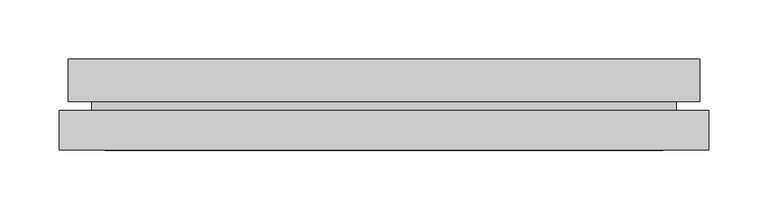
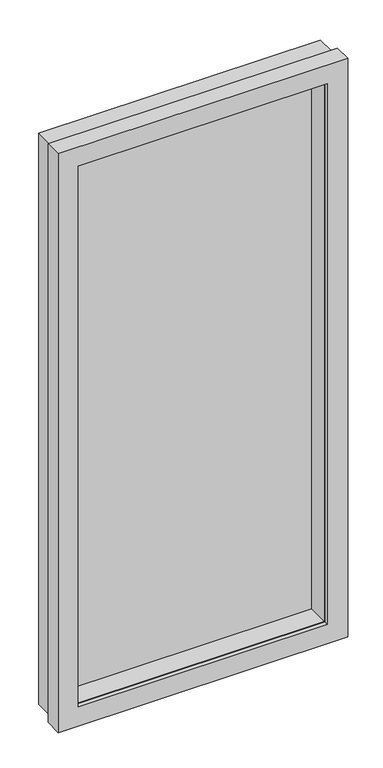
"""IFC4 building model written with IfcOpenShell, lengths in millimetres: plate geometry."""

import ifcopenshell
import ifcopenshell.guid

model = None  # the IFC model being written
_history = None  # IfcOwnerHistory: only IFC2X3 demands one
_inside = {}  # id of a spatial element -> (the spatial element, [elements in it])
_under = {}  # id of a project, library or spatial element -> (it, [spatial elements below it])
_declared = {}  # id of a project -> (the project, [libraries it declares])
_typed = {}  # id of a type object -> (the type object, [elements of that type])
_made_of = {}  # id of a material, layer set ... -> (it, [elements and type objects made of it])


def new_model(schema):
    """Start an empty IFC model of exactly this schema.

    Asked for "IFC4X3", IfcOpenShell would pick the latest addendum, in which some entities
    have other attributes; the version numbers below select the first issue.
    IFC2X3 requires an IfcOwnerHistory on every rooted entity: one is made here for all.
    """
    global model, _history
    if schema == "IFC4X3":
        model = ifcopenshell.file(schema_version=(4, 3, 0, 0))
    else:
        model = ifcopenshell.file(schema=schema)
    _inside.clear()
    _under.clear()
    _declared.clear()
    _typed.clear()
    _made_of.clear()
    _history = None
    if model.schema == "IFC2X3":
        org = make("IfcOrganization", Name="unknown")
        user = make(
            "IfcPersonAndOrganization",
            ThePerson=make("IfcPerson", FamilyName="unknown"),
            TheOrganization=org,
        )
        app = make(
            "IfcApplication",
            ApplicationDeveloper=org,
            Version="unknown",
            ApplicationFullName="unknown",
            ApplicationIdentifier="unknown",
        )
        _history = make(
            "IfcOwnerHistory",
            OwningUser=user,
            OwningApplication=app,
            ChangeAction="ADDED",
            CreationDate=0,
        )
    return model


def make(cls, **values):
    """One entity of the class cls with the attributes given. An attribute that is None is left unset."""
    return model.create_entity(
        cls, **{name: value for name, value in values.items() if value is not None}
    )


def rooted(cls, **values):
    """An entity with a GlobalId (a new one), such as an element, a storey or a relation."""
    return make(cls, GlobalId=ifcopenshell.guid.new(), OwnerHistory=_history, **values)


def si_unit(unit_type, name, prefix=None):
    """IfcSIUnit, for example si_unit("LENGTHUNIT", "METRE", prefix="MILLI")."""
    return make("IfcSIUnit", UnitType=unit_type, Prefix=prefix, Name=name)


def assignment(units):
    """IfcUnitAssignment: the units of a project."""
    return None if units is None else make("IfcUnitAssignment", Units=units)


def point(xyz):
    """IfcCartesianPoint."""
    return None if xyz is None else make("IfcCartesianPoint", Coordinates=xyz)


def direction(xyz):
    """IfcDirection."""
    return None if xyz is None else make("IfcDirection", DirectionRatios=xyz)


def frame(location, z_axis=None, x_axis=None):
    """IfcAxis2Placement3D, a coordinate frame: its origin and axes. An axis left out is left unset."""
    return make(
        "IfcAxis2Placement3D",
        Location=point(location),
        Axis=direction(z_axis),
        RefDirection=direction(x_axis),
    )


def origin():
    """The frame at (0, 0, 0) with its axes left unset."""
    return frame((0.0, 0.0, 0.0))


def place(relative_to, where):
    """IfcLocalPlacement: puts the frame where relative to a parent placement (None: the world)."""
    return make(
        "IfcLocalPlacement", PlacementRelTo=relative_to, RelativePlacement=where
    )


def context(
    kind, dimensions, precision=None, world=None, true_north=None, identifier=None
):
    """IfcGeometricRepresentationContext, for example the 3D "Model" context."""
    return make(
        "IfcGeometricRepresentationContext",
        ContextIdentifier=identifier,
        ContextType=kind,
        CoordinateSpaceDimension=dimensions,
        Precision=precision,
        WorldCoordinateSystem=world,
        TrueNorth=true_north,
    )


def project(units=None, contexts=None):
    """IfcProject with its units and contexts."""
    return rooted(
        "IfcProject",
        Name="project",
        RepresentationContexts=contexts,
        UnitsInContext=assignment(units),
    )


def spatial(cls, under=None, at=None, **own):
    """A site, building, storey or space (cls), placed at a placement, below another one or the project."""
    s = rooted(cls, ObjectPlacement=at, **own)
    if under is not None:
        _under.setdefault(under.id(), (under, []))[1].append(s)
    return s


def polyline(points):
    """IfcPolyline through the points."""
    return make("IfcPolyline", Points=[point(p) for p in points])


def outline(outer, holes=None, kind="AREA"):
    """IfcArbitraryClosedProfileDef: a profile drawn as a closed curve; with holes, ...WithVoids."""
    if holes is None:
        return make("IfcArbitraryClosedProfileDef", ProfileType=kind, OuterCurve=outer)
    return make(
        "IfcArbitraryProfileDefWithVoids",
        ProfileType=kind,
        OuterCurve=outer,
        InnerCurves=holes,
    )


def extrude(swept, where, along, depth):
    """IfcExtrudedAreaSolid: the profile swept, set in the frame where, extruded along a direction by depth."""
    return make(
        "IfcExtrudedAreaSolid",
        SweptArea=swept,
        Position=where,
        ExtrudedDirection=direction(along),
        Depth=depth,
    )


def faces_of(points, faces, orient=None, outer=None):
    """IfcFace entities. A face is a list of loops; a loop is a list of indices into points, from 0.

    orient and outer hold one flag for each loop. By default every Orientation is true, the
    first loop of a face is its IfcFaceOuterBound and the others are IfcFaceBound.
    """
    made = []
    for i, loops in enumerate(faces):
        bounds = []
        for j, loop in enumerate(loops):
            is_outer = j == 0 if outer is None else outer[i][j]
            bounds.append(
                make(
                    "IfcFaceOuterBound" if is_outer else "IfcFaceBound",
                    Bound=make("IfcPolyLoop", Polygon=[points[k] for k in loop]),
                    Orientation=True if orient is None else orient[i][j],
                )
            )
        made.append(make("IfcFace", Bounds=bounds))
    return made


def faceted_brep(points, faces, orient=None, outer=None, voids=None):
    """IfcFacetedBrep: a solid bounded by flat faces; with voids (closed shells), ...WithVoids."""
    shared = [point(p) for p in points]
    hull = make("IfcClosedShell", CfsFaces=faces_of(shared, faces, orient, outer))
    if voids is None:
        return make("IfcFacetedBrep", Outer=hull)
    return make(
        "IfcFacetedBrepWithVoids",
        Outer=hull,
        Voids=[
            make(cls, CfsFaces=faces_of(shared, fs, o, b)) for cls, fs, o, b in voids
        ],
    )


def shape(context_of_items, identifier, shape_type, items):
    """IfcShapeRepresentation: the items that make up one representation, for example the "Body"."""
    return make(
        "IfcShapeRepresentation",
        ContextOfItems=context_of_items,
        RepresentationIdentifier=identifier,
        RepresentationType=shape_type,
        Items=items,
    )


def source(mapping_origin, context_of_items, identifier, shape_type, items):
    """IfcRepresentationMap: a shape defined once, which mapped items show again and again."""
    return make(
        "IfcRepresentationMap",
        MappingOrigin=mapping_origin,
        MappedRepresentation=shape(context_of_items, identifier, shape_type, items),
    )


def transform(
    local_origin,
    x_axis=None,
    y_axis=None,
    z_axis=None,
    scale=None,
    scale2=None,
    scale3=None,
    uniform=True,
):
    """IfcCartesianTransformationOperator3D, or its non-uniform kind. x_axis, y_axis, z_axis: its Axis1, 2, 3."""
    if uniform:
        return make(
            "IfcCartesianTransformationOperator3D",
            Axis1=direction(x_axis),
            Axis2=direction(y_axis),
            LocalOrigin=point(local_origin),
            Scale=scale,
            Axis3=direction(z_axis),
        )
    return make(
        "IfcCartesianTransformationOperator3DnonUniform",
        Axis1=direction(x_axis),
        Axis2=direction(y_axis),
        LocalOrigin=point(local_origin),
        Scale=scale,
        Axis3=direction(z_axis),
        Scale2=scale2,
        Scale3=scale3,
    )


def mapped(mapping_source, mapping_target):
    """IfcMappedItem: shows the shape of a source again, moved by a transform."""
    return make(
        "IfcMappedItem", MappingSource=mapping_source, MappingTarget=mapping_target
    )


def made_of(thing, what):
    """Note that an element or type object is made of a material, layer set ...; save() writes the relation."""
    if what is not None:
        _made_of.setdefault(what.id(), (what, []))[1].append(thing)
    return thing


def element(
    cls,
    number,
    at=None,
    inside=None,
    cuts=None,
    type_object=None,
    material=None,
    context=None,
    identifier="Body",
    shape_type=None,
    held_by="IfcProductDefinitionShape",
    body=None,
    shapes=None,
    **own,
):
    """One element of the class cls, such as IfcWall. Its Tag is "e" and its number.

    at: its placement. inside: the storey or other place that contains it. cuts: it is an
    opening in that element (IfcRelVoidsElement). A single representation is given by context,
    identifier, shape_type and body (its items); several are given by shapes. held_by: the class
    of the entity that holds the representations. save() writes the other relations.
    """
    e = rooted(cls, Tag="e%d" % number, ObjectPlacement=at, **own)
    if body is not None:
        shapes = [shape(context, identifier, shape_type, body)]
    if shapes is not None:
        e.Representation = make(held_by, Representations=shapes)
    if inside is not None:
        _inside.setdefault(inside.id(), (inside, []))[1].append(e)
    if cuts is not None:
        rooted(
            "IfcRelVoidsElement", RelatingBuildingElement=cuts, RelatedOpeningElement=e
        )
    if type_object is not None:
        _typed.setdefault(type_object.id(), (type_object, []))[1].append(e)
    return made_of(e, material)


def aggregate(whole, parts):
    """IfcRelAggregates: a whole, such as a stair, and the parts it consists of."""
    return rooted("IfcRelAggregates", RelatingObject=whole, RelatedObjects=parts)


def save(model, path):
    """Write the relations noted so far, then the file.

    IfcRelAggregates (storeys below a building ...), IfcRelContainedInSpatialStructure (elements
    in a storey), IfcRelDefinesByType, IfcRelAssociatesMaterial and IfcRelDeclares: one each for
    every whole, place, type object, material and project.
    """
    for whole, parts in _under.values():
        aggregate(whole, parts)
    for where, things in _inside.values():
        rooted(
            "IfcRelContainedInSpatialStructure",
            RelatedElements=things,
            RelatingStructure=where,
        )
    for kind, things in _typed.values():
        rooted("IfcRelDefinesByType", RelatedObjects=things, RelatingType=kind)
    for what, things in _made_of.values():
        rooted("IfcRelAssociatesMaterial", RelatedObjects=things, RelatingMaterial=what)
    for by, libraries in _declared.values():
        rooted("IfcRelDeclares", RelatingContext=by, RelatedDefinitions=libraries)
    model.write(path)


def plate_a9904da0(model_context):
    return source(origin(), model_context, "Body", "SolidModel", [
        faceted_brep([(234.95, -75.6046875, 38.1), (234.95, -116.482531, 38.1), (234.95, -116.482531, 1117.6), (234.95, -75.6046875, 1117.6), (256.7432, -50.2046875, 16.3068), (256.7432, -75.6046875, 16.3068), (256.7432, -75.6046875, 1139.3932), (256.7432, -50.2046875, 1139.3932), (265.4808, -85.926331, 7.5692), (265.4808, -50.2046875, 7.5692), (265.4808, -50.2046875, 1148.1308), (265.4808, -85.926331, 1148.1308), (246.0498, -116.482531, 27.0002), (246.0498, -85.926331, 27.0002), (246.0498, -85.926331, 1128.6998), (246.0498, -116.482531, 1128.6998), (-234.95, -116.482531, 1117.6), (-234.95, -75.6046875, 1117.6), (-256.7432, -75.6046875, 1139.3932), (-256.7432, -50.2046875, 1139.3932), (-265.4808, -50.2046875, 1148.1308), (-265.4808, -85.926331, 1148.1308), (-246.0498, -85.926331, 1128.6998), (-246.0498, -116.482531, 1128.6998), (-234.95, -116.482531, 38.1), (-234.95, -75.6046875, 38.1), (-256.7432, -75.6046875, 16.3068), (-256.7432, -50.2046875, 16.3068), (-265.4808, -50.2046875, 7.5692), (-265.4808, -85.926331, 7.5692), (-246.0498, -85.926331, 27.0002), (-246.0498, -116.482531, 27.0002)], [[[0, 1, 2, 3]], [[4, 5, 6, 7]], [[8, 9, 10, 11]], [[12, 13, 14, 15]], [[3, 2, 16, 17]], [[7, 6, 18, 19]], [[11, 10, 20, 21]], [[15, 14, 22, 23]], [[17, 16, 24, 25]], [[19, 18, 26, 27]], [[21, 20, 28, 29]], [[23, 22, 30, 31]], [[15, 23, 31, 12], [1, 24, 16, 2]], [[25, 24, 1, 0]], [[5, 26, 18, 6], [3, 17, 25, 0]], [[27, 26, 5, 4]], [[9, 28, 20, 10], [7, 19, 27, 4]], [[29, 28, 9, 8]], [[11, 21, 29, 8], [13, 30, 22, 14]], [[31, 30, 13, 12]]]),
        faceted_brep([(273.05, -126.693331, 0.0), (273.05, -93.368531, 0.0), (273.05, -93.368531, 1155.7), (273.05, -126.693331, 1155.7), (262.83666, -93.368531, 10.21334), (262.83666, -118.768531, 10.21334), (262.83666, -118.768531, 1145.48666), (262.83666, -93.368531, 1145.48666), (234.95, -118.768531, 38.1), (234.95, -126.693331, 38.1), (234.95, -126.693331, 1117.6), (234.95, -118.768531, 1117.6), (-273.05, -93.368531, 1155.7), (-273.05, -126.693331, 1155.7), (-234.95, -126.693331, 1117.6), (-234.95, -118.768531, 1117.6), (-262.83666, -118.768531, 1145.48666), (-262.83666, -93.368531, 1145.48666), (-273.05, -93.368531, 0.0), (-273.05, -126.693331, 0.0), (-234.95, -126.693331, 38.1), (-234.95, -118.768531, 38.1), (-262.83666, -118.768531, 10.21334), (-262.83666, -93.368531, 10.21334)], [[[0, 1, 2, 3]], [[4, 5, 6, 7]], [[8, 9, 10, 11]], [[3, 2, 12, 13]], [[11, 10, 14, 15]], [[7, 6, 16, 17]], [[13, 12, 18, 19]], [[15, 14, 20, 21]], [[17, 16, 22, 23]], [[1, 18, 12, 2], [7, 17, 23, 4]], [[19, 18, 1, 0]], [[3, 13, 19, 0], [9, 20, 14, 10]], [[21, 20, 9, 8]], [[5, 22, 16, 6], [11, 15, 21, 8]], [[23, 22, 5, 4]]]),
        extrude(outline(polyline([(256.7432, -50.2046875), (256.7432, -75.6046875), (-256.7432, -75.6046875), (-256.7432, -50.2046875), (256.7432, -50.2046875)])), frame((0.0, 0.0, 16.3068), z_axis=(0.0, 0.0, 1.0), x_axis=(1.0, 0.0, 0.0)), (0.0, 0.0, 1.0), 1123.0863999),
    ])


if __name__ == "__main__":
    model = new_model("IFC4")
    model_context = context("Model", 3, world=origin())
    ifc_project = project(units=[si_unit("LENGTHUNIT", "METRE", prefix="MILLI")], contexts=[model_context])
    site = spatial("IfcSite", under=ifc_project)
    building = spatial("IfcBuilding", under=site)
    placement = place(None, origin())
    plate_shape = plate_a9904da0(model_context)
    element("IfcPlate", 1, at=placement, inside=building, context=model_context, shape_type="MappedRepresentation", body=[
        mapped(plate_shape, transform((0.0, 0.0, 0.0), x_axis=(1.0, 0.0, 0.0), y_axis=(0.0, 1.0, 0.0), z_axis=(0.0, 0.0, 1.0))),
    ])
    save(model, "model.ifc")
